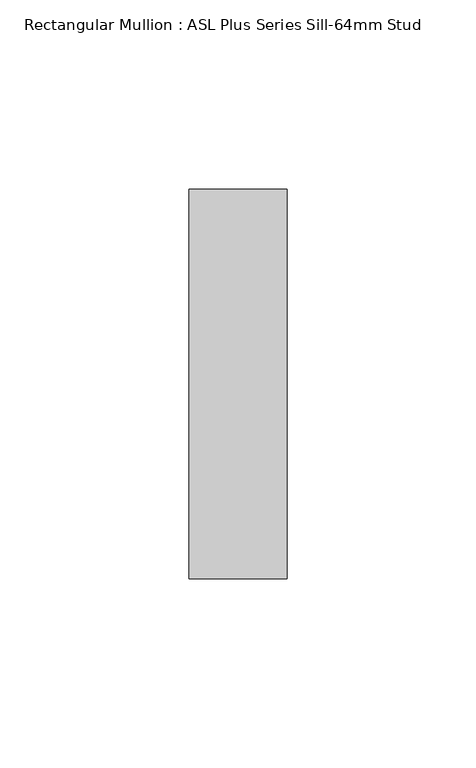
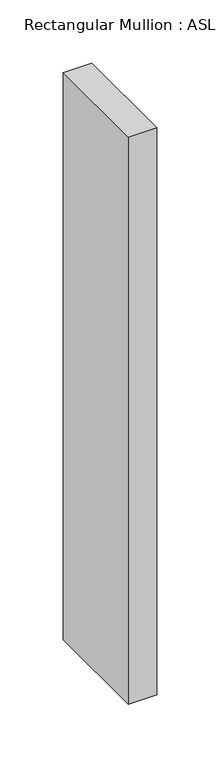
"""IFC4 building model written with IfcOpenShell, lengths in millimetres: member geometry, Rectangular Mullion : ASL Plus Series Sill-64mm Stud."""

from ifc_helpers import new_model, si_unit, frame, origin, place, context, project, spatial, polyline, outline, extrude, source, transform, mapped, element, save


def rectangular_mullion_asl_plus_series_sill_64mm_stud_2461e457(model_context):
    return source(origin(), model_context, "Body", "SweptSolid", [
        extrude(outline(polyline([(-26.0, 51.5), (0.0, 51.5), (0.0, -51.5), (-26.0, -51.5), (-26.0, 51.5)])), frame((0.0, 0.0, -548.0), z_axis=(0.0, 0.0, 1.0), x_axis=(1.0, 0.0, 0.0)), (0.0, 0.0, 1.0), 548.0),
    ])


if __name__ == "__main__":
    model = new_model("IFC4")
    model_context = context("Model", 3, world=origin())
    ifc_project = project(units=[si_unit("LENGTHUNIT", "METRE", prefix="MILLI")], contexts=[model_context])
    site = spatial("IfcSite", under=ifc_project)
    building = spatial("IfcBuilding", under=site)
    placement = place(None, origin())
    rectangular_mullion_asl_plus_series_sill_64mm_stud_shape = rectangular_mullion_asl_plus_series_sill_64mm_stud_2461e457(model_context)
    element("IfcMember", 1, ObjectType="Rectangular Mullion : ASL Plus Series Sill-64mm Stud", at=placement, inside=building, context=model_context, shape_type="MappedRepresentation", body=[
        mapped(rectangular_mullion_asl_plus_series_sill_64mm_stud_shape, transform((0.0, 0.0, 0.0), x_axis=(1.0, 0.0, 0.0), y_axis=(0.0, 1.0, 0.0), z_axis=(0.0, 0.0, 1.0))),
    ])
    save(model, "model.ifc")
